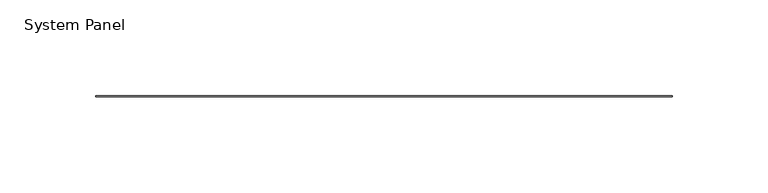
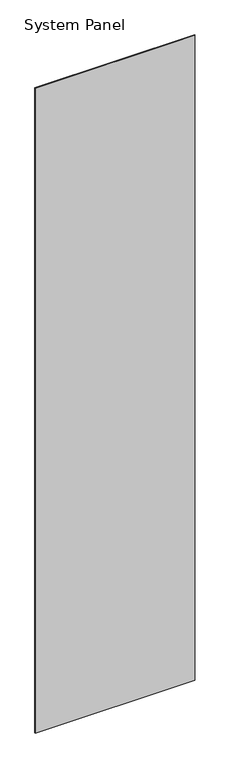
"""IFC4 building model written with IfcOpenShell, lengths in millimetres: plate geometry, System Panel."""

from ifc_helpers import new_model, si_unit, origin, origin_with_axes, place, context, project, spatial, polyline, outline, extrude, source, transform, mapped, element, save


def system_panel_1df3aeb5(model_context):
    return source(origin(), model_context, "Body", "SweptSolid", [
        extrude(outline(polyline([(150.7490002, -0.2480469), (-150.7490002, -0.2480469), (-150.7490002, 0.2480469), (150.7490002, 0.2480469), (150.7490002, -0.2480469)])), origin_with_axes(), (0.0, 0.0, 1.0), 1285.875),
    ])


if __name__ == "__main__":
    model = new_model("IFC4")
    model_context = context("Model", 3, world=origin())
    ifc_project = project(units=[si_unit("LENGTHUNIT", "METRE", prefix="MILLI")], contexts=[model_context])
    site = spatial("IfcSite", under=ifc_project)
    building = spatial("IfcBuilding", under=site)
    placement = place(None, origin())
    system_panel_shape = system_panel_1df3aeb5(model_context)
    element("IfcPlate", 1, ObjectType="System Panel", at=placement, inside=building, context=model_context, shape_type="MappedRepresentation", body=[
        mapped(system_panel_shape, transform((0.0, 0.0, 0.0), x_axis=(1.0, 0.0, 0.0), y_axis=(0.0, 1.0, 0.0), z_axis=(0.0, 0.0, 1.0))),
    ])
    save(model, "model.ifc")
